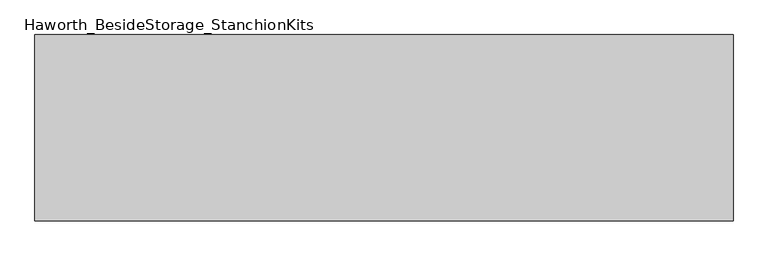
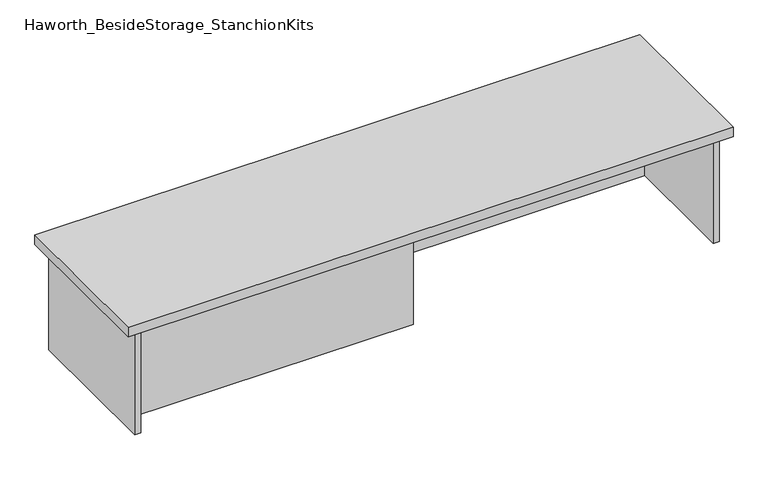
"""IFC4 building model written with IfcOpenShell, lengths in millimetres: furniture geometry, Haworth_BesideStorage_StanchionKits."""

from ifc_helpers import new_model, si_unit, frame, origin, place, context, project, spatial, polyline, outline, extrude, source, transform, mapped, element, save


def haworth_besidestorage_stanchionkits_d0ea1ede(model_context):
    return source(origin(), model_context, "Body", "SweptSolid", [
        extrude(outline(polyline([(923.925, 0.0), (923.925, -406.4), (-600.075, -406.4), (-600.075, 0.0), (923.925, 0.0)])), frame((0.0, 0.0, 711.2), z_axis=(0.0, 0.0, 1.0), x_axis=(1.0, 0.0, 0.0)), (0.0, 0.0, 1.0), 25.4),
        extrude(outline(polyline([(161.925, -76.2), (882.65, -76.2), (882.65, -92.075), (161.925, -92.075), (161.925, -76.2)])), frame((0.0, 0.0, 431.8), z_axis=(0.0, 0.0, 1.0), x_axis=(1.0, 0.0, 0.0)), (0.0, 0.0, 1.0), 279.4),
        extrude(outline(polyline([(161.925, -314.325), (161.925, -330.2), (-558.8, -330.2), (-558.8, -314.325), (161.925, -314.325)])), frame((0.0, 0.0, 431.8), z_axis=(0.0, 0.0, 1.0), x_axis=(1.0, 0.0, 0.0)), (0.0, 0.0, 1.0), 279.4),
        extrude(outline(polyline([(898.525, -390.525), (882.65, -390.525), (882.65, -15.875), (898.525, -15.875), (898.525, -390.525)])), frame((0.0, 0.0, 431.8), z_axis=(0.0, 0.0, 1.0), x_axis=(1.0, 0.0, 0.0)), (0.0, 0.0, 1.0), 279.4),
        extrude(outline(polyline([(-558.8, -390.525), (-574.675, -390.525), (-574.675, -15.875), (-558.8, -15.875), (-558.8, -390.525)])), frame((0.0, 0.0, 431.8), z_axis=(0.0, 0.0, 1.0), x_axis=(1.0, 0.0, 0.0)), (0.0, 0.0, 1.0), 279.4),
    ])


if __name__ == "__main__":
    model = new_model("IFC4")
    model_context = context("Model", 3, world=origin())
    ifc_project = project(units=[si_unit("LENGTHUNIT", "METRE", prefix="MILLI")], contexts=[model_context])
    site = spatial("IfcSite", under=ifc_project)
    building = spatial("IfcBuilding", under=site)
    placement = place(None, origin())
    haworth_besidestorage_stanchionkits_shape = haworth_besidestorage_stanchionkits_d0ea1ede(model_context)
    element("IfcFurniture", 1, ObjectType="Haworth_BesideStorage_StanchionKits", at=placement, inside=building, context=model_context, shape_type="MappedRepresentation", body=[
        mapped(haworth_besidestorage_stanchionkits_shape, transform((0.0, 0.0, 0.0), x_axis=(1.0, 0.0, 0.0), y_axis=(0.0, 1.0, 0.0), z_axis=(0.0, 0.0, 1.0))),
    ])
    save(model, "model.ifc")
